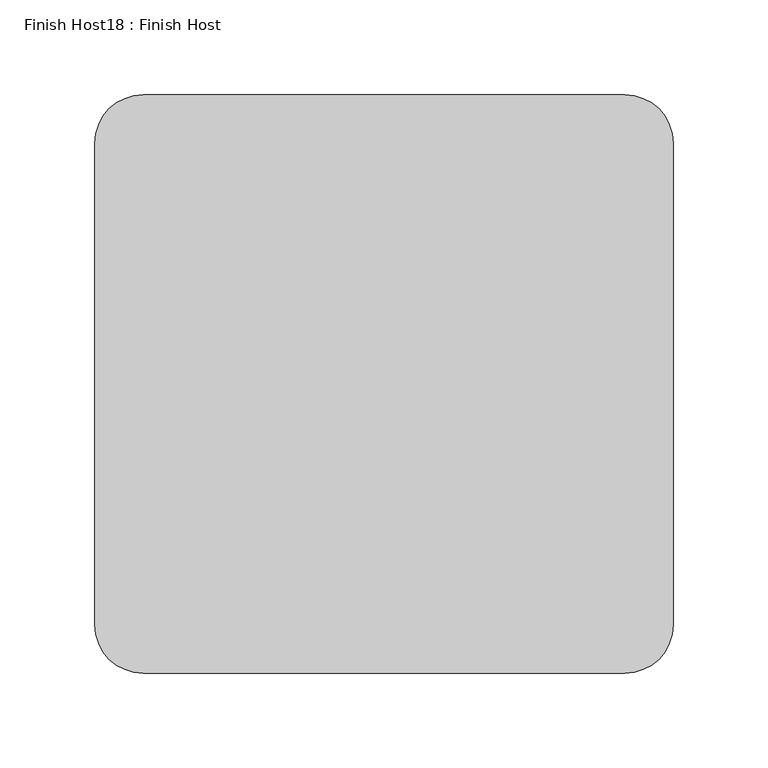
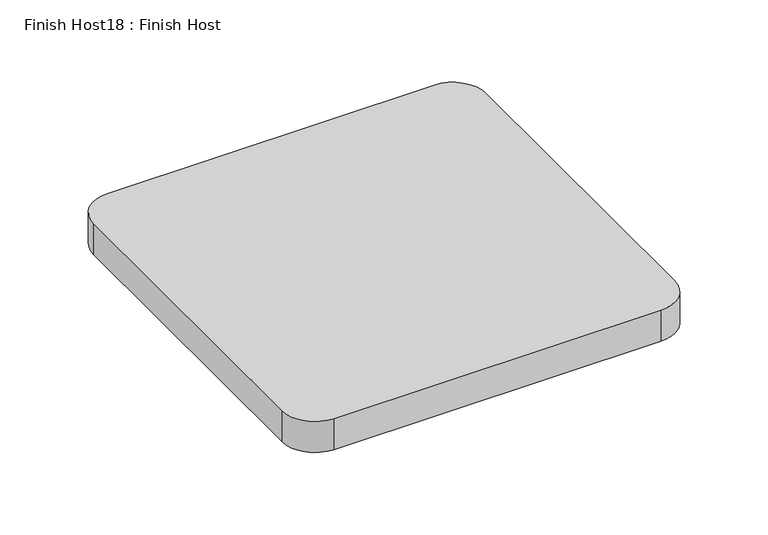
"""IFC4 building model written with IfcOpenShell, lengths in millimetres: proxy geometry, Finish Host18 : Finish Host."""

from ifc_helpers import new_model, si_unit, point, frame_2d, origin, origin_with_axes, place, context, project, spatial, polyline, circle_curve, trimmed, segment, composite_curve, outline, extrude, source, transform, mapped, element, save


def finish_host18_finish_host_5ec7e49b(model_context):
    return source(origin(), model_context, "Body", "SweptSolid", [
        extrude(outline(composite_curve([segment(polyline([(5763.0934426, 3188.0122951), (5763.0934426, 3442.0122951)]), True, "CONTINUOUS"), segment(trimmed(circle_curve(frame_2d((5788.4934426, 3442.0122951)), 25.4), [point((5763.0934426, 3442.0122951))], [point((5788.4934426, 3467.4122951))], False, "CARTESIAN"), True, "CONTINUOUS"), segment(polyline([(5788.4934426, 3467.4122951), (6042.4934426, 3467.4122951)]), True, "CONTINUOUS"), segment(trimmed(circle_curve(frame_2d((6042.4934426, 3442.0122951)), 25.4), [point((6042.4934426, 3467.4122951))], [point((6067.8934426, 3442.0122951))], False, "CARTESIAN"), True, "CONTINUOUS"), segment(polyline([(6067.8934426, 3442.0122951), (6067.8934426, 3188.0122951)]), True, "CONTINUOUS"), segment(trimmed(circle_curve(frame_2d((6042.4934426, 3188.0122951)), 25.4), [point((6067.8934426, 3188.0122951))], [point((6042.4934426, 3162.6122951))], False, "CARTESIAN"), True, "CONTINUOUS"), segment(polyline([(6042.4934426, 3162.6122951), (5788.4934426, 3162.6122951)]), True, "CONTINUOUS"), segment(trimmed(circle_curve(frame_2d((5788.4934426, 3188.0122951)), 25.4), [point((5788.4934426, 3162.6122951))], [point((5763.0934426, 3188.0122951))], False, "CARTESIAN"), True, "CONTINUOUS")], self_intersect=False)), origin_with_axes(), (0.0, 0.0, 1.0), 25.4),
    ])


if __name__ == "__main__":
    model = new_model("IFC4")
    model_context = context("Model", 3, world=origin())
    ifc_project = project(units=[si_unit("LENGTHUNIT", "METRE", prefix="MILLI")], contexts=[model_context])
    site = spatial("IfcSite", under=ifc_project)
    building = spatial("IfcBuilding", under=site)
    placement = place(None, origin())
    finish_host18_finish_host_shape = finish_host18_finish_host_5ec7e49b(model_context)
    element("IfcBuildingElementProxy", 1, Name="Finish Host18 : Finish Host", ObjectType="Finish Host18 : Finish Host", at=placement, inside=building, context=model_context, shape_type="MappedRepresentation", body=[
        mapped(finish_host18_finish_host_shape, transform((0.0, 0.0, 0.0), x_axis=(1.0, 0.0, 0.0), y_axis=(0.0, 1.0, 0.0), z_axis=(0.0, 0.0, 1.0))),
    ])
    save(model, "model.ifc")
